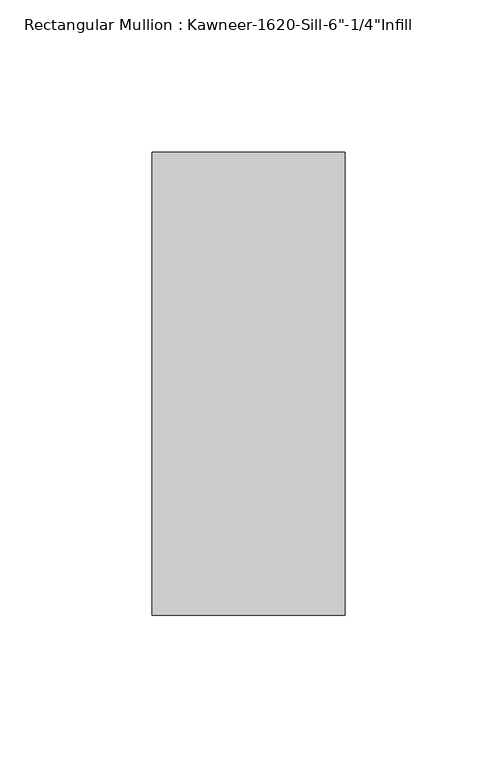
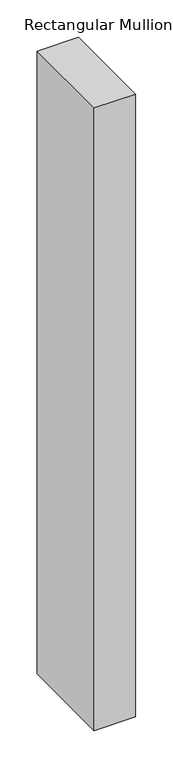
"""IFC4 building model written with IfcOpenShell, lengths in millimetres: member geometry."""

from ifc_helpers import new_model, si_unit, frame, origin, place, context, project, spatial, polyline, outline, extrude, source, transform, mapped, element, save


def member_7110b005(model_context):
    return source(origin(), model_context, "Body", "SweptSolid", [
        extrude(outline(polyline([(-63.5, -28.575), (-63.5, 123.825), (0.0, 123.825), (0.0, -28.575), (-63.5, -28.575)])), frame((0.0, 0.0, -1016.0), z_axis=(0.0, 0.0, 1.0), x_axis=(1.0, 0.0, 0.0)), (0.0, 0.0, 1.0), 1016.0),
    ])


if __name__ == "__main__":
    model = new_model("IFC4")
    model_context = context("Model", 3, world=origin())
    ifc_project = project(units=[si_unit("LENGTHUNIT", "METRE", prefix="MILLI")], contexts=[model_context])
    site = spatial("IfcSite", under=ifc_project)
    building = spatial("IfcBuilding", under=site)
    placement = place(None, origin())
    member_shape = member_7110b005(model_context)
    element("IfcMember", 1, ObjectType="Rectangular Mullion : Kawneer-1620-Sill-6\"-1/4\"Infill", at=placement, inside=building, context=model_context, shape_type="MappedRepresentation", body=[
        mapped(member_shape, transform((0.0, 0.0, 0.0), x_axis=(1.0, 0.0, 0.0), y_axis=(0.0, 1.0, 0.0), z_axis=(0.0, 0.0, 1.0))),
    ])
    save(model, "model.ifc")
